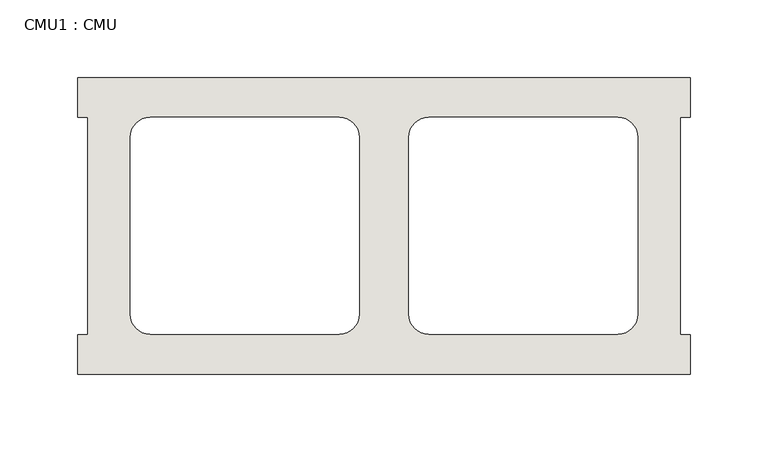
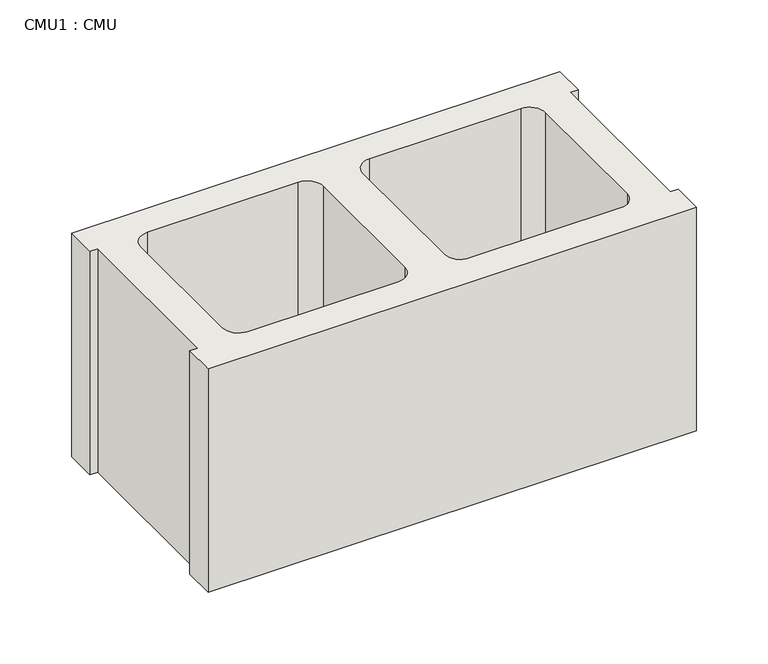
"""IFC4 building model written with IfcOpenShell, lengths in millimetres: wall geometry, CMU1 : CMU."""

from ifc_helpers import new_model, si_unit, point, frame_2d, origin, origin_with_axes, place, context, project, spatial, polyline, circle_curve, trimmed, segment, composite_curve, outline, extrude, source, transform, mapped, element, save


def cmu1_cmu_209763ad(model_context):
    return source(origin(), model_context, "Body", "SweptSolid", [
        extrude(outline(polyline([(9.0214018, 3347.4652891), (402.7214018, 3347.4652891), (402.7214018, 3322.0652891), (396.3714018, 3322.0652891), (396.3714018, 3182.3652891), (402.7214018, 3182.3652891), (402.7214018, 3156.9652891), (9.0214018, 3156.9652891), (9.0214018, 3182.3652891), (15.3714018, 3182.3652891), (15.3714018, 3322.0652891), (9.0214018, 3322.0652891), (9.0214018, 3347.4652891)]), holes=[composite_curve([segment(polyline([(177.1894005, 3322.0652891), (55.4727504, 3322.0652891)]), True, "CONTINUOUS"), segment(trimmed(circle_curve(frame_2d((55.4727504, 3309.3652891)), 12.7), [point((55.4727504, 3322.0652891))], [point((42.7727504, 3309.3652891))], True, "CARTESIAN"), True, "CONTINUOUS"), segment(polyline([(42.7727504, 3309.3652891), (42.7727504, 3195.2994494)]), True, "CONTINUOUS"), segment(trimmed(circle_curve(frame_2d((55.4727504, 3195.2994494)), 12.7), [point((42.7727504, 3195.2994494))], [point((55.4727504, 3182.5994494))], True, "CARTESIAN"), True, "CONTINUOUS"), segment(polyline([(55.4727504, 3182.5994494), (177.1894005, 3182.5994494)]), True, "CONTINUOUS"), segment(trimmed(circle_curve(frame_2d((177.1894005, 3195.2994494)), 12.7), [point((177.1894005, 3182.5994494))], [point((189.8894005, 3195.2994494))], True, "CARTESIAN"), True, "CONTINUOUS"), segment(polyline([(189.8894005, 3195.2994494), (189.8894005, 3309.3652891)]), True, "CONTINUOUS"), segment(trimmed(circle_curve(frame_2d((177.1894005, 3309.3652891)), 12.7), [point((189.8894005, 3309.3652891))], [point((177.1894005, 3322.0652891))], True, "CARTESIAN"), True, "CONTINUOUS")], self_intersect=False), composite_curve([segment(trimmed(circle_curve(frame_2d((234.5534031, 3309.3652891)), 12.7), [point((234.5534031, 3322.0652891))], [point((221.8534031, 3309.3652891))], True, "CARTESIAN"), True, "CONTINUOUS"), segment(polyline([(221.8534031, 3309.3652891), (221.8534031, 3195.2994494)]), True, "CONTINUOUS"), segment(trimmed(circle_curve(frame_2d((234.5534031, 3195.2994494)), 12.7), [point((221.8534031, 3195.2994494))], [point((234.5534031, 3182.5994494))], True, "CARTESIAN"), True, "CONTINUOUS"), segment(polyline([(234.5534031, 3182.5994494), (356.2700532, 3182.5994494)]), True, "CONTINUOUS"), segment(trimmed(circle_curve(frame_2d((356.2700532, 3195.2994494)), 12.7), [point((356.2700532, 3182.5994494))], [point((368.9700532, 3195.2994494))], True, "CARTESIAN"), True, "CONTINUOUS"), segment(polyline([(368.9700532, 3195.2994494), (368.9700532, 3309.3652891)]), True, "CONTINUOUS"), segment(trimmed(circle_curve(frame_2d((356.2700532, 3309.3652891)), 12.7), [point((368.9700532, 3309.3652891))], [point((356.2700532, 3322.0652891))], True, "CARTESIAN"), True, "CONTINUOUS"), segment(polyline([(356.2700532, 3322.0652891), (234.5534031, 3322.0652891)]), True, "CONTINUOUS")], self_intersect=False)]), origin_with_axes(), (0.0, 0.0, 1.0), 190.5),
    ])


if __name__ == "__main__":
    model = new_model("IFC4")
    model_context = context("Model", 3, world=origin())
    ifc_project = project(units=[si_unit("LENGTHUNIT", "METRE", prefix="MILLI")], contexts=[model_context])
    site = spatial("IfcSite", under=ifc_project)
    building = spatial("IfcBuilding", under=site)
    placement = place(None, origin())
    cmu1_cmu_shape = cmu1_cmu_209763ad(model_context)
    element("IfcWall", 1, ObjectType="CMU1 : CMU", at=placement, inside=building, context=model_context, shape_type="MappedRepresentation", body=[
        mapped(cmu1_cmu_shape, transform((0.0, 0.0, 0.0), x_axis=(1.0, 0.0, 0.0), y_axis=(0.0, 1.0, 0.0), z_axis=(0.0, 0.0, 1.0))),
    ])
    save(model, "model.ifc")
